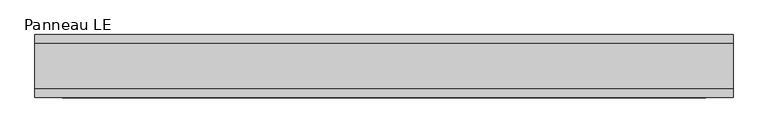
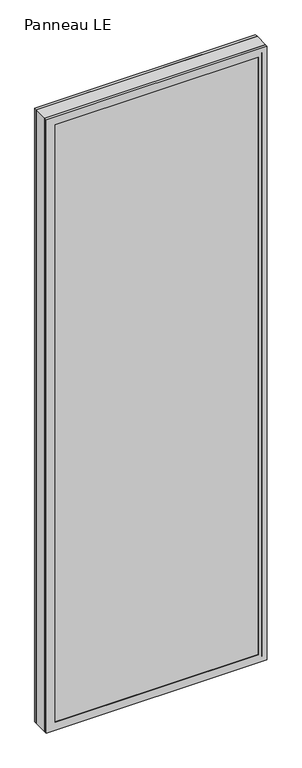
"""IFC4 building model written with IfcOpenShell, lengths in millimetres: plate geometry, Panneau LE."""

from ifc_helpers import new_model, si_unit, frame, origin, place, context, project, spatial, polyline, outline, extrude, faceted_brep, source, transform, mapped, element, save


def panneau_le_418e6558(model_context):
    return source(origin(), model_context, "Body", "SolidModel", [
        faceted_brep([(-499.7748676, 33.0, 2933.0), (-499.7748676, 45.0, 2933.0), (-499.7748676, 45.0, 0.0), (-499.7748676, 33.0, 0.0), (499.7748676, 33.0, 0.0), (499.7748676, 45.0, 0.0), (499.7748676, 45.0, 2933.0), (499.7748676, 33.0, 2933.0), (-460.7748676, 45.0, 2894.0), (-460.7748676, 45.0, 39.0), (460.7748676, 45.0, 39.0), (460.7748676, 45.0, 2894.0), (460.7748676, 43.8, 2894.0), (-460.7748676, 43.8, 2894.0), (-475.7748676, 43.8, 2909.0), (-475.7748676, 43.8, 24.0), (475.7748676, 43.8, 24.0), (475.7748676, 43.8, 2909.0), (460.7748676, 43.8, 39.0), (-460.7748676, 43.8, 39.0), (475.7748676, 33.0, 2909.0), (-475.7748676, 33.0, 2909.0), (475.7748676, 33.0, 24.0), (-475.7748676, 33.0, 24.0)], [[[0, 1, 2, 3]], [[4, 5, 6, 7]], [[6, 1, 0, 7]], [[2, 1, 6, 5], [8, 9, 10, 11]], [[8, 11, 12, 13]], [[14, 15, 16, 17], [13, 12, 18, 19]], [[14, 17, 20, 21]], [[0, 3, 4, 7], [20, 22, 23, 21]], [[23, 22, 16, 15]], [[19, 18, 10, 9]], [[4, 3, 2, 5]], [[21, 23, 15, 14]], [[13, 19, 9, 8]], [[18, 12, 11, 10]], [[22, 20, 17, 16]]]),
        faceted_brep([(-499.7748676, -33.0, 0.0), (-499.7748676, -45.0, 0.0), (-499.7748676, -45.0, 2933.0), (-499.7748676, -33.0, 2933.0), (499.7748676, -45.0, 0.0), (499.7748676, -33.0, 0.0), (499.7748676, -33.0, 2933.0), (499.7748676, -45.0, 2933.0), (460.7748676, -45.0, 2894.0), (460.7748676, -45.0, 39.0), (-460.7748676, -45.0, 39.0), (-460.7748676, -45.0, 2894.0), (-475.7748676, -33.0, 2909.0), (-475.7748676, -33.0, 24.0), (475.7748676, -33.0, 24.0), (475.7748676, -33.0, 2909.0), (475.7748676, -43.8, 2909.0), (-475.7748676, -43.8, 2909.0), (475.7748676, -43.8, 24.0), (-475.7748676, -43.8, 24.0), (-460.7748676, -43.8, 2894.0), (-460.7748676, -43.8, 39.0), (460.7748676, -43.8, 39.0), (460.7748676, -43.8, 2894.0)], [[[0, 1, 2, 3]], [[4, 5, 6, 7]], [[2, 1, 4, 7], [8, 9, 10, 11]], [[6, 3, 2, 7]], [[0, 3, 6, 5], [12, 13, 14, 15]], [[12, 15, 16, 17]], [[17, 16, 18, 19], [20, 21, 22, 23]], [[8, 11, 20, 23]], [[10, 9, 22, 21]], [[19, 18, 14, 13]], [[4, 1, 0, 5]], [[11, 10, 21, 20]], [[17, 19, 13, 12]], [[18, 16, 15, 14]], [[9, 8, 23, 22]]]),
        extrude(outline(polyline([(2933.0, 499.7748676), (2933.0, -499.7748676), (0.0, -499.7748676), (0.0, 499.7748676), (2933.0, 499.7748676)]), holes=[polyline([(46.0, -459.7748676), (2887.0, -459.7748676), (2887.0, 459.7748676), (46.0, 459.7748676), (46.0, -459.7748676)])]), frame((0.0, -33.0, 0.0), z_axis=(0.0, 1.0, 0.0), x_axis=(0.0, 0.0, 1.0)), (0.0, 0.0, 1.0), 66.0),
        extrude(outline(polyline([(475.7748676, 37.8), (-475.7748676, 37.8), (-475.7748676, 43.8), (475.7748676, 43.8), (475.7748676, 37.8)])), frame((0.0, 0.0, 24.0), z_axis=(0.0, 0.0, 1.0), x_axis=(1.0, 0.0, 0.0)), (0.0, 0.0, 1.0), 2885.0),
        extrude(outline(polyline([(-475.7748676, -43.8), (-475.7748676, -37.8), (475.7748676, -37.8), (475.7748676, -43.8), (-475.7748676, -43.8)])), frame((0.0, 0.0, 24.0), z_axis=(0.0, 0.0, 1.0), x_axis=(1.0, 0.0, 0.0)), (0.0, 0.0, 1.0), 2885.0),
    ])


if __name__ == "__main__":
    model = new_model("IFC4")
    model_context = context("Model", 3, world=origin())
    ifc_project = project(units=[si_unit("LENGTHUNIT", "METRE", prefix="MILLI")], contexts=[model_context])
    site = spatial("IfcSite", under=ifc_project)
    building = spatial("IfcBuilding", under=site)
    placement = place(None, origin())
    panneau_le_shape = panneau_le_418e6558(model_context)
    element("IfcPlate", 1, ObjectType="Panneau LE", at=placement, inside=building, context=model_context, shape_type="MappedRepresentation", body=[
        mapped(panneau_le_shape, transform((0.0, 0.0, 0.0), x_axis=(1.0, 0.0, 0.0), y_axis=(0.0, 1.0, 0.0), z_axis=(0.0, 0.0, 1.0))),
    ])
    save(model, "model.ifc")
